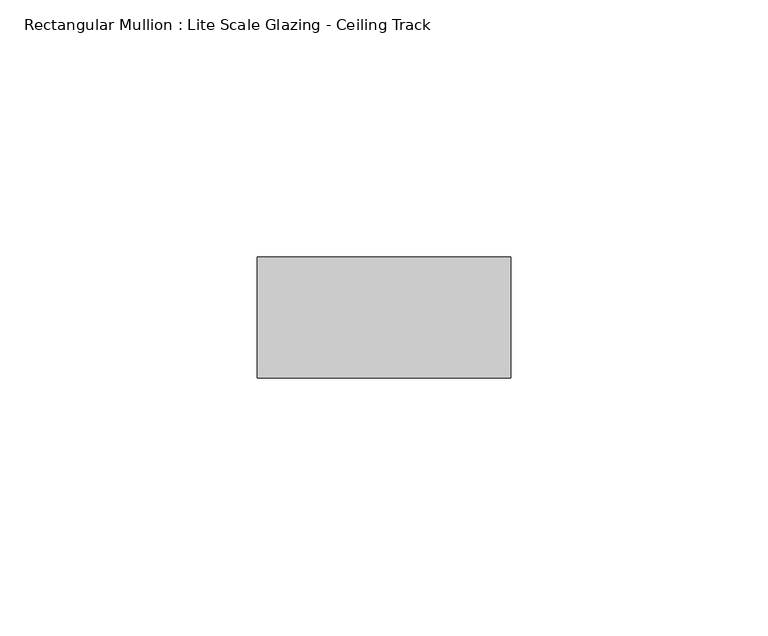
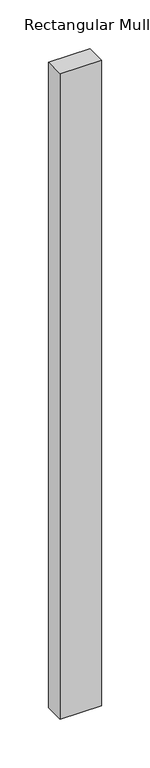
"""IFC4 building model written with IfcOpenShell, lengths in millimetres: member geometry, Rectangular Mullion : Lite Scale Glazing - Ceiling Track."""

from ifc_helpers import new_model, si_unit, frame, origin, place, context, project, spatial, polyline, outline, extrude, source, transform, mapped, element, save


def rectangular_mullion_lite_scale_glazing_ceiling_track_a212cae5(model_context):
    return source(origin(), model_context, "Body", "SweptSolid", [
        extrude(outline(polyline([(-49.276, 11.7474999), (0.0, 11.7474999), (0.0, -11.7474999), (-49.276, -11.7474999), (-49.276, 11.7474999)])), frame((0.0, 0.0, -809.066549), z_axis=(0.0, 0.0, 1.0), x_axis=(1.0, 0.0, 0.0)), (0.0, 0.0, 1.0), 809.066549),
    ])


if __name__ == "__main__":
    model = new_model("IFC4")
    model_context = context("Model", 3, world=origin())
    ifc_project = project(units=[si_unit("LENGTHUNIT", "METRE", prefix="MILLI")], contexts=[model_context])
    site = spatial("IfcSite", under=ifc_project)
    building = spatial("IfcBuilding", under=site)
    placement = place(None, origin())
    rectangular_mullion_lite_scale_glazing_ceiling_track_shape = rectangular_mullion_lite_scale_glazing_ceiling_track_a212cae5(model_context)
    element("IfcMember", 1, ObjectType="Rectangular Mullion : Lite Scale Glazing - Ceiling Track", at=placement, inside=building, context=model_context, shape_type="MappedRepresentation", body=[
        mapped(rectangular_mullion_lite_scale_glazing_ceiling_track_shape, transform((0.0, 0.0, 0.0), x_axis=(1.0, 0.0, 0.0), y_axis=(0.0, 1.0, 0.0), z_axis=(0.0, 0.0, 1.0))),
    ])
    save(model, "model.ifc")
